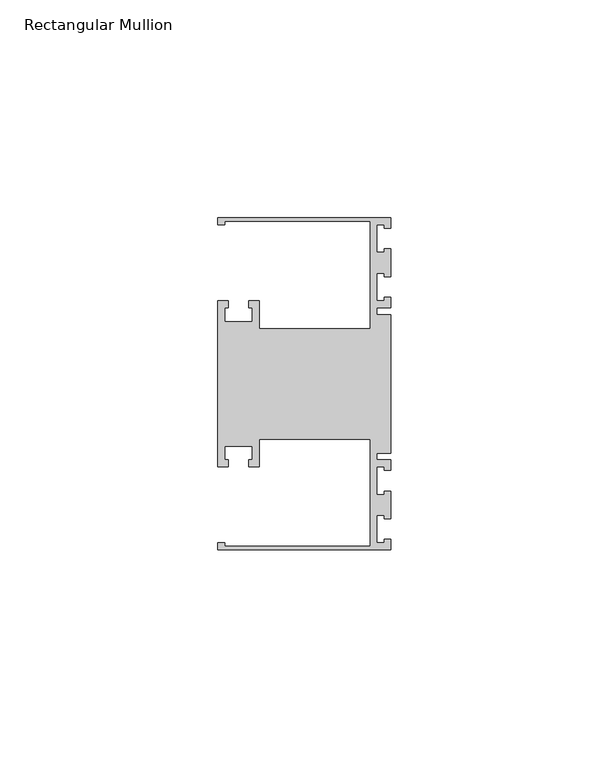
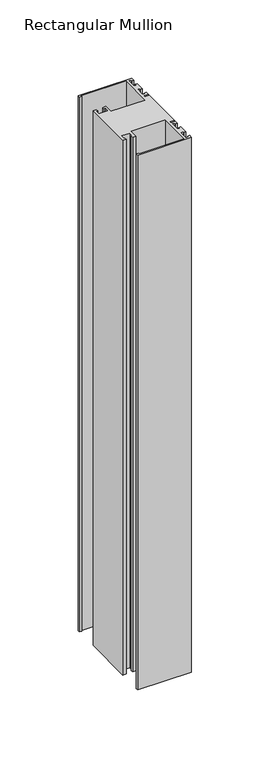
"""IFC4 building model written with IfcOpenShell, lengths in millimetres: member geometry, Rectangular Mullion."""

from ifc_helpers import new_model, si_unit, frame, origin, place, context, project, spatial, polyline, outline, extrude, source, transform, mapped, element, save


def rectangular_mullion_7ca2b26c(model_context):
    return source(origin(), model_context, "Body", "SweptSolid", [
        extrude(outline(polyline([(0.0, -38.1), (-39.6875, -38.1), (-39.6875, -36.5125), (-38.1, -36.5125), (-38.1, -37.30625), (-4.7625, -37.30625), (-4.7625, -12.7), (-30.1625, -12.7), (-30.1625, -19.05), (-32.54375, -19.05), (-32.54375, -17.4625), (-31.75, -17.4625), (-31.75, -14.2875), (-38.1, -14.2875), (-38.1, -17.4625), (-37.30625, -17.4625), (-37.30625, -19.05), (-39.6875, -19.05), (-39.6875, 19.05), (-37.30625, 19.05), (-37.30625, 17.4625), (-38.1, 17.4625), (-38.1, 14.2875), (-31.75, 14.2875), (-31.75, 17.4625), (-32.54375, 17.4625), (-32.54375, 19.05), (-30.1625, 19.05), (-30.1625, 12.7), (-4.7625, 12.7), (-4.7625, 37.30625), (-38.1, 37.30625), (-38.1, 36.5125), (-39.6875, 36.5125), (-39.6875, 38.1), (0.0, 38.1), (0.0, 35.71875), (-1.4999946, 35.71875), (-1.4999946, 36.5125), (-3.175, 36.5125), (-3.175, 30.1625), (-1.4999946, 30.1625), (-1.4999946, 30.95625), (0.0, 30.95625), (0.0, 24.60625), (-1.4999946, 24.60625), (-1.4999946, 25.4), (-3.175, 25.4), (-3.175, 19.05), (-1.4999946, 19.05), (-1.4999946, 19.84375), (0.0, 19.84375), (0.0, 17.4625), (-3.175, 17.4625), (-3.175, 15.875), (0.0, 15.875), (0.0, -15.875), (-3.175, -15.875), (-3.175, -17.4625), (0.0, -17.4625), (0.0, -19.84375), (-1.4999946, -19.84375), (-1.4999946, -19.05), (-3.175, -19.05), (-3.175, -25.4), (-1.4999946, -25.4), (-1.4999946, -24.60625), (0.0, -24.60625), (0.0, -30.95625), (-1.4999946, -30.95625), (-1.4999946, -30.1625), (-3.175, -30.1625), (-3.175, -36.5125), (-1.4999946, -36.5125), (-1.4999946, -35.71875), (0.0, -35.71875), (0.0, -38.1)])), frame((0.0, 0.0, -417.5125), z_axis=(0.0, 0.0, 1.0), x_axis=(1.0, 0.0, 0.0)), (0.0, 0.0, 1.0), 417.5125),
    ])


if __name__ == "__main__":
    model = new_model("IFC4")
    model_context = context("Model", 3, world=origin())
    ifc_project = project(units=[si_unit("LENGTHUNIT", "METRE", prefix="MILLI")], contexts=[model_context])
    site = spatial("IfcSite", under=ifc_project)
    building = spatial("IfcBuilding", under=site)
    placement = place(None, origin())
    rectangular_mullion_shape = rectangular_mullion_7ca2b26c(model_context)
    element("IfcMember", 1, ObjectType="Rectangular Mullion", at=placement, inside=building, context=model_context, shape_type="MappedRepresentation", body=[
        mapped(rectangular_mullion_shape, transform((0.0, 0.0, 0.0), x_axis=(1.0, 0.0, 0.0), y_axis=(0.0, 1.0, 0.0), z_axis=(0.0, 0.0, 1.0))),
    ])
    save(model, "model.ifc")
